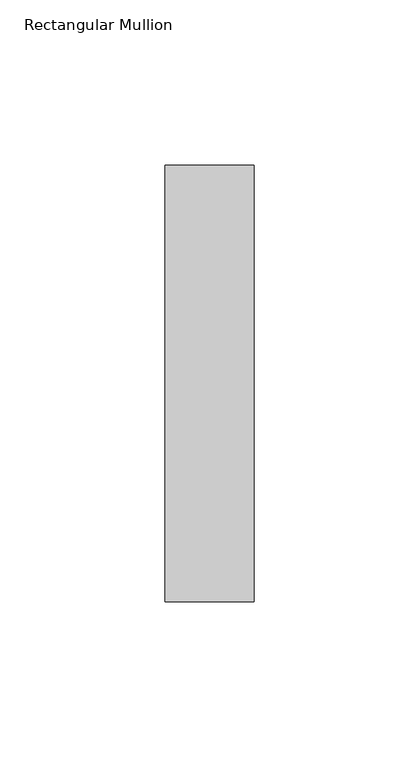
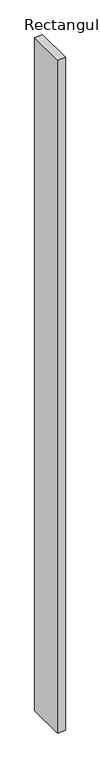
"""IFC4 building model written with IfcOpenShell, lengths in millimetres: member geometry, Rectangular Mullion."""

from ifc_helpers import new_model, si_unit, frame, origin, place, context, project, spatial, polyline, outline, extrude, source, transform, mapped, element, save


def rectangular_mullion_75c71139(model_context):
    return source(origin(), model_context, "Body", "SweptSolid", [
        extrude(outline(polyline([(-27.0, 66.1), (0.0, 66.1), (0.0, -66.1), (-27.0, -66.1), (-27.0, 66.1)])), frame((0.0, 0.0, -2400.0), z_axis=(0.0, 0.0, 1.0), x_axis=(1.0, 0.0, 0.0)), (0.0, 0.0, 1.0), 2400.0),
    ])


if __name__ == "__main__":
    model = new_model("IFC4")
    model_context = context("Model", 3, world=origin())
    ifc_project = project(units=[si_unit("LENGTHUNIT", "METRE", prefix="MILLI")], contexts=[model_context])
    site = spatial("IfcSite", under=ifc_project)
    building = spatial("IfcBuilding", under=site)
    placement = place(None, origin())
    rectangular_mullion_shape = rectangular_mullion_75c71139(model_context)
    element("IfcMember", 1, ObjectType="Rectangular Mullion", at=placement, inside=building, context=model_context, shape_type="MappedRepresentation", body=[
        mapped(rectangular_mullion_shape, transform((0.0, 0.0, 0.0), x_axis=(1.0, 0.0, 0.0), y_axis=(0.0, 1.0, 0.0), z_axis=(0.0, 0.0, 1.0))),
    ])
    save(model, "model.ifc")
